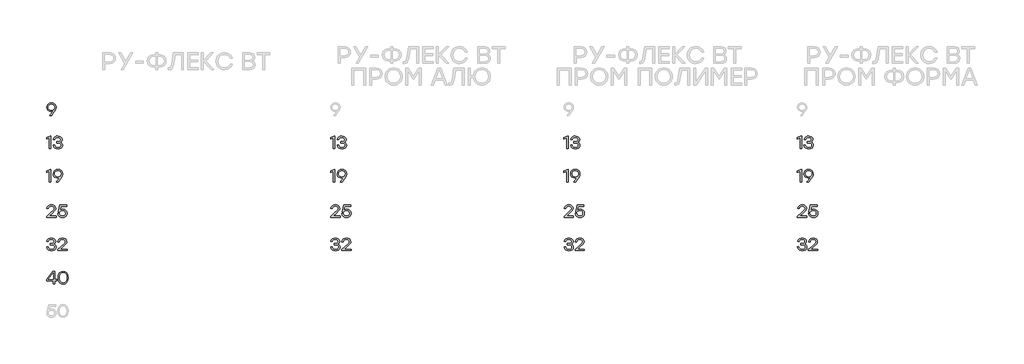
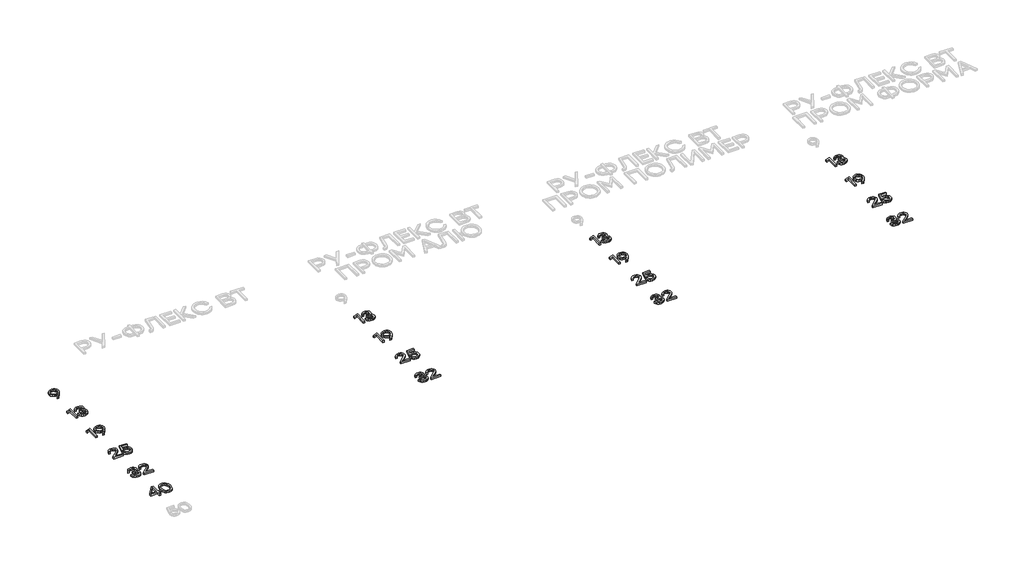
# One storey, part 13 of 41: 18 proxies.
"""IFC4 building model written with IfcOpenShell, lengths in millimetres."""

import ifcopenshell
import ifcopenshell.guid

model = None  # the IFC model being written
_history = None  # IfcOwnerHistory: only IFC2X3 demands one
_inside = {}  # id of a spatial element -> (the spatial element, [elements in it])
_under = {}  # id of a project, library or spatial element -> (it, [spatial elements below it])
_declared = {}  # id of a project -> (the project, [libraries it declares])
_typed = {}  # id of a type object -> (the type object, [elements of that type])
_made_of = {}  # id of a material, layer set ... -> (it, [elements and type objects made of it])


def new_model(schema):
    """Start an empty IFC model of exactly this schema.

    Asked for "IFC4X3", IfcOpenShell would pick the latest addendum, in which some entities
    have other attributes; the version numbers below select the first issue.
    IFC2X3 requires an IfcOwnerHistory on every rooted entity: one is made here for all.
    """
    global model, _history
    if schema == "IFC4X3":
        model = ifcopenshell.file(schema_version=(4, 3, 0, 0))
    else:
        model = ifcopenshell.file(schema=schema)
    _inside.clear()
    _under.clear()
    _declared.clear()
    _typed.clear()
    _made_of.clear()
    _history = None
    if model.schema == "IFC2X3":
        org = make("IfcOrganization", Name="unknown")
        user = make(
            "IfcPersonAndOrganization",
            ThePerson=make("IfcPerson", FamilyName="unknown"),
            TheOrganization=org,
        )
        app = make(
            "IfcApplication",
            ApplicationDeveloper=org,
            Version="unknown",
            ApplicationFullName="unknown",
            ApplicationIdentifier="unknown",
        )
        _history = make(
            "IfcOwnerHistory",
            OwningUser=user,
            OwningApplication=app,
            ChangeAction="ADDED",
            CreationDate=0,
        )
    return model


def make(cls, **values):
    """One entity of the class cls with the attributes given. An attribute that is None is left unset."""
    return model.create_entity(
        cls, **{name: value for name, value in values.items() if value is not None}
    )


def rooted(cls, **values):
    """An entity with a GlobalId (a new one), such as an element, a storey or a relation."""
    return make(cls, GlobalId=ifcopenshell.guid.new(), OwnerHistory=_history, **values)


def si_unit(unit_type, name, prefix=None):
    """IfcSIUnit, for example si_unit("LENGTHUNIT", "METRE", prefix="MILLI")."""
    return make("IfcSIUnit", UnitType=unit_type, Prefix=prefix, Name=name)


def assignment(units):
    """IfcUnitAssignment: the units of a project."""
    return None if units is None else make("IfcUnitAssignment", Units=units)


def point(xyz):
    """IfcCartesianPoint."""
    return None if xyz is None else make("IfcCartesianPoint", Coordinates=xyz)


def direction(xyz):
    """IfcDirection."""
    return None if xyz is None else make("IfcDirection", DirectionRatios=xyz)


def frame(location, z_axis=None, x_axis=None):
    """IfcAxis2Placement3D, a coordinate frame: its origin and axes. An axis left out is left unset."""
    return make(
        "IfcAxis2Placement3D",
        Location=point(location),
        Axis=direction(z_axis),
        RefDirection=direction(x_axis),
    )


def origin():
    """The frame at (0, 0, 0) with its axes left unset."""
    return frame((0.0, 0.0, 0.0))


def origin_with_axes():
    """The frame at (0, 0, 0) with the z axis (0, 0, 1) and the x axis (1, 0, 0) written out."""
    return frame((0.0, 0.0, 0.0), z_axis=(0.0, 0.0, 1.0), x_axis=(1.0, 0.0, 0.0))


def place(relative_to, where):
    """IfcLocalPlacement: puts the frame where relative to a parent placement (None: the world)."""
    return make(
        "IfcLocalPlacement", PlacementRelTo=relative_to, RelativePlacement=where
    )


def context(
    kind, dimensions, precision=None, world=None, true_north=None, identifier=None
):
    """IfcGeometricRepresentationContext, for example the 3D "Model" context."""
    return make(
        "IfcGeometricRepresentationContext",
        ContextIdentifier=identifier,
        ContextType=kind,
        CoordinateSpaceDimension=dimensions,
        Precision=precision,
        WorldCoordinateSystem=world,
        TrueNorth=true_north,
    )


def project(units=None, contexts=None):
    """IfcProject with its units and contexts."""
    return rooted(
        "IfcProject",
        Name="project",
        RepresentationContexts=contexts,
        UnitsInContext=assignment(units),
    )


def spatial(cls, under=None, at=None, **own):
    """A site, building, storey or space (cls), placed at a placement, below another one or the project."""
    s = rooted(cls, ObjectPlacement=at, **own)
    if under is not None:
        _under.setdefault(under.id(), (under, []))[1].append(s)
    return s


def polyline(points):
    """IfcPolyline through the points."""
    return make("IfcPolyline", Points=[point(p) for p in points])


def outline(outer, holes=None, kind="AREA"):
    """IfcArbitraryClosedProfileDef: a profile drawn as a closed curve; with holes, ...WithVoids."""
    if holes is None:
        return make("IfcArbitraryClosedProfileDef", ProfileType=kind, OuterCurve=outer)
    return make(
        "IfcArbitraryProfileDefWithVoids",
        ProfileType=kind,
        OuterCurve=outer,
        InnerCurves=holes,
    )


def extrude(swept, where, along, depth):
    """IfcExtrudedAreaSolid: the profile swept, set in the frame where, extruded along a direction by depth."""
    return make(
        "IfcExtrudedAreaSolid",
        SweptArea=swept,
        Position=where,
        ExtrudedDirection=direction(along),
        Depth=depth,
    )


def shape(context_of_items, identifier, shape_type, items):
    """IfcShapeRepresentation: the items that make up one representation, for example the "Body"."""
    return make(
        "IfcShapeRepresentation",
        ContextOfItems=context_of_items,
        RepresentationIdentifier=identifier,
        RepresentationType=shape_type,
        Items=items,
    )


def made_of(thing, what):
    """Note that an element or type object is made of a material, layer set ...; save() writes the relation."""
    if what is not None:
        _made_of.setdefault(what.id(), (what, []))[1].append(thing)
    return thing


def element(
    cls,
    number,
    at=None,
    inside=None,
    cuts=None,
    type_object=None,
    material=None,
    context=None,
    identifier="Body",
    shape_type=None,
    held_by="IfcProductDefinitionShape",
    body=None,
    shapes=None,
    **own,
):
    """One element of the class cls, such as IfcWall. Its Tag is "e" and its number.

    at: its placement. inside: the storey or other place that contains it. cuts: it is an
    opening in that element (IfcRelVoidsElement). A single representation is given by context,
    identifier, shape_type and body (its items); several are given by shapes. held_by: the class
    of the entity that holds the representations. save() writes the other relations.
    """
    e = rooted(cls, Tag="e%d" % number, ObjectPlacement=at, **own)
    if body is not None:
        shapes = [shape(context, identifier, shape_type, body)]
    if shapes is not None:
        e.Representation = make(held_by, Representations=shapes)
    if inside is not None:
        _inside.setdefault(inside.id(), (inside, []))[1].append(e)
    if cuts is not None:
        rooted(
            "IfcRelVoidsElement", RelatingBuildingElement=cuts, RelatedOpeningElement=e
        )
    if type_object is not None:
        _typed.setdefault(type_object.id(), (type_object, []))[1].append(e)
    return made_of(e, material)


def aggregate(whole, parts):
    """IfcRelAggregates: a whole, such as a stair, and the parts it consists of."""
    return rooted("IfcRelAggregates", RelatingObject=whole, RelatedObjects=parts)


def save(model, path):
    """Write the relations noted so far, then the file.

    IfcRelAggregates (storeys below a building ...), IfcRelContainedInSpatialStructure (elements
    in a storey), IfcRelDefinesByType, IfcRelAssociatesMaterial and IfcRelDeclares: one each for
    every whole, place, type object, material and project.
    """
    for whole, parts in _under.values():
        aggregate(whole, parts)
    for where, things in _inside.values():
        rooted(
            "IfcRelContainedInSpatialStructure",
            RelatedElements=things,
            RelatingStructure=where,
        )
    for kind, things in _typed.values():
        rooted("IfcRelDefinesByType", RelatedObjects=things, RelatingType=kind)
    for what, things in _made_of.values():
        rooted("IfcRelAssociatesMaterial", RelatedObjects=things, RelatingMaterial=what)
    for by, libraries in _declared.values():
        rooted("IfcRelDeclares", RelatingContext=by, RelatedDefinitions=libraries)
    model.write(path)


model = new_model("IFC4")

# Units and contexts
model_context = context("Model", 3, world=origin())
ifc_project = project(units=[si_unit("LENGTHUNIT", "METRE", prefix="MILLI")], contexts=[model_context])

# Site, building, storey
site = spatial("IfcSite", under=ifc_project)
building = spatial("IfcBuilding", under=site)
storey = spatial("IfcBuildingStorey", under=building, Elevation=0.0)

# Proxies
placement = place(None, origin())
element("IfcBuildingElementProxy", 1, Name="Generic Models", at=placement, inside=storey, context=model_context, shape_type="SweptSolid", body=[
    extrude(outline(polyline([(6628.8021562, -43558.446666), (6650.6723568, -43562.0925399), (6668.6798473, -43573.0301615), (6680.7369489, -43590.1803926), (6684.7559828, -43612.4640948), (6682.1287348, -43630.3051761), (6674.2469908, -43648.2471115), (6632.4732436, -43707.8316838), (6630.0930881, -43710.8169637), (6609.3171539, -43710.8169637), (6651.9582459, -43653.814255), (6637.9798747, -43659.7747294), (6623.8804786, -43661.7615541), (6604.2189817, -43658.4131997), (6587.6738749, -43648.3681364), (6576.4336911, -43632.5340506), (6572.6869632, -43611.8186289), (6576.7059971, -43590.2711613), (6588.7630986, -43573.2318696), (6606.8109308, -43562.1429669), (6628.8021562, -43558.446666)]), holes=[polyline([(6628.6004481, -43647.8033537), (6643.9857333, -43645.3425149), (6656.2546284, -43637.9599985), (6664.2876535, -43626.4525515), (6666.9653285, -43611.6169208), (6664.2321837, -43596.7762475), (6656.0327495, -43585.2536723), (6643.7638544, -43577.8560278), (6628.822327, -43575.3901463), (6613.8807996, -43577.9064548), (6601.6119045, -43585.4553804), (6593.4124703, -43597.0788096), (6590.6793256, -43611.8186289), (6593.3822141, -43626.629046), (6601.4908797, -43638.0608525), (6613.6740488, -43645.3677284), (6628.6004481, -43647.8033537)])]), origin_with_axes(), (0.0, 0.0, 1.0), 20.0),
])
element("IfcBuildingElementProxy", 2, Name="Generic Models", at=placement, inside=storey, context=model_context, shape_type="SweptSolid", body=[
    extrude(outline(polyline([(6614.6825893, -43960.8268216), (6622.8315965, -43960.8268216), (6622.8315965, -44110.8169637), (6605.0409422, -44110.8169637), (6605.0409422, -43981.6027557), (6570.5488573, -43995.5206145), (6570.5488573, -43977.97201), (6614.6825893, -43960.8268216)])), origin_with_axes(), (0.0, 0.0, 1.0), 20.0),
    extrude(outline(polyline([(6735.868815, -44031.747389), (6747.0787425, -44037.2136785), (6755.4546713, -44045.4635398), (6760.6738684, -44056.1238128), (6762.4136007, -44068.8213376), (6758.7172998, -44087.0708778), (6747.6283971, -44101.1551458), (6730.5386785, -44110.1563697), (6708.8399298, -44113.1567776), (6687.4538286, -44110.2673091), (6669.5270213, -44101.5989036), (6656.5824041, -44087.4137816), (6650.1428731, -44067.9741636), (6668.1352355, -44067.9741636), (6672.9964006, -44080.3464341), (6681.3672867, -44089.1837701), (6693.2478937, -44094.4861718), (6708.6382217, -44096.253639), (6723.5494928, -44094.3222839), (6734.8804453, -44088.5282188), (6742.0360401, -44079.4160555), (6744.4212384, -44067.5304057), (6742.4142428, -44056.7491079), (6736.393256, -44048.3681364), (6726.0254598, -44042.9825301), (6710.9780356, -44041.1873281), (6690.2021014, -44041.1873281), (6690.2021014, -44025.5347796), (6705.8546499, -44025.5347796), (6720.5742984, -44024.087524), (6731.088333, -44019.7457572), (6737.3967538, -44012.5094791), (6739.4995607, -44002.3786899), (6737.2202592, -43991.2393601), (6730.3823547, -43982.6718087), (6719.7926795, -43977.2105619), (6706.2580661, -43975.3901463), (6693.4193456, -43976.9180851), (6683.142318, -43981.5019017), (6675.4774102, -43989.6156099), (6670.4750494, -44001.733224), (6652.482687, -44001.733224), (6659.1541824, -43982.530613), (6671.0196613, -43969.056512), (6687.1714373, -43961.0991275), (6706.7018239, -43958.446666), (6726.71631, -43961.3663907), (6743.0294525, -43970.1255649), (6753.8763055, -43983.4937692), (6757.4919231, -44000.240584), (6751.9247796, -44019.5238783), (6745.1272167, -44026.7551136), (6735.868815, -44031.747389)])), origin_with_axes(), (0.0, 0.0, 1.0), 20.0),
])
element("IfcBuildingElementProxy", 3, Name="Generic Models", at=placement, inside=storey, context=model_context, shape_type="SweptSolid", body=[
    extrude(outline(polyline([(6614.6825893, -44360.8268216), (6622.8315965, -44360.8268216), (6622.8315965, -44510.8169637), (6605.0409422, -44510.8169637), (6605.0409422, -44381.6027557), (6570.5488573, -44395.5206145), (6570.5488573, -44377.97201), (6614.6825893, -44360.8268216)])), origin_with_axes(), (0.0, 0.0, 1.0), 20.0),
    extrude(outline(polyline([(6706.2580661, -44358.446666), (6728.1282667, -44362.0925399), (6746.1357572, -44373.0301615), (6758.1928588, -44390.1803926), (6762.2118926, -44412.4640948), (6759.5846447, -44430.3051761), (6751.7029007, -44448.2471115), (6709.9291535, -44507.8316838), (6707.5489979, -44510.8169637), (6686.7730638, -44510.8169637), (6729.4141558, -44453.814255), (6715.4357846, -44459.7747294), (6701.3363885, -44461.7615541), (6681.6748916, -44458.4131997), (6665.1297848, -44448.3681364), (6653.889601, -44432.5340506), (6650.1428731, -44411.8186289), (6654.1619069, -44390.2711613), (6666.2190085, -44373.2318696), (6684.2668406, -44362.1429669), (6706.2580661, -44358.446666)]), holes=[polyline([(6706.056358, -44447.8033537), (6721.4416432, -44445.3425149), (6733.7105383, -44437.9599985), (6741.7435633, -44426.4525515), (6744.4212384, -44411.6169208), (6741.6880936, -44396.7762475), (6733.4886594, -44385.2536723), (6721.2197643, -44377.8560278), (6706.2782369, -44375.3901463), (6691.3367095, -44377.9064548), (6679.0678144, -44385.4553804), (6670.8683802, -44397.0788096), (6668.1352355, -44411.8186289), (6670.838124, -44426.629046), (6678.9467895, -44438.0608525), (6691.1299587, -44445.3677284), (6706.056358, -44447.8033537)])]), origin_with_axes(), (0.0, 0.0, 1.0), 20.0),
])
element("IfcBuildingElementProxy", 4, Name="Generic Models", at=placement, inside=storey, context=model_context, shape_type="SweptSolid", body=[
    extrude(outline(polyline([(6685.1997406, -44917.6717753), (6685.1997406, -44934.8169637), (6572.6869632, -44934.8169637), (6572.6869632, -44921.947987), (6616.1752293, -44884.0268645), (6654.8628426, -44848.0421397), (6661.2166477, -44838.0777596), (6663.3345827, -44827.4679136), (6661.0300677, -44816.1924309), (6654.1165226, -44807.2164205), (6643.3453101, -44801.3467149), (6629.4677929, -44799.3901463), (6615.534806, -44801.4526116), (6604.5971844, -44807.6400075), (6596.7204831, -44817.5791741), (6591.9702574, -44830.8969513), (6573.977895, -44830.8969513), (6580.1753764, -44810.8975933), (6592.3938444, -44795.5173508), (6609.4936485, -44785.7143372), (6630.3351378, -44782.446666), (6650.8791076, -44785.6084405), (6667.0863533, -44795.0937638), (6677.6155161, -44809.3494837), (6681.125237, -44826.8224477), (6678.5786723, -44841.461413), (6670.938978, -44854.5573113), (6630.738554, -44892.8213376), (6602.0153207, -44917.6717753), (6685.1997406, -44917.6717753)])), origin_with_axes(), (0.0, 0.0, 1.0), 20.0),
    extrude(outline(polyline([(6766.2863962, -44835.8186289), (6786.1748148, -44839.1921969), (6802.593854, -44849.3129007), (6813.6071162, -44865.0108335), (6817.2782036, -44885.1160882), (6813.3701092, -44905.8163818), (6801.6458259, -44922.4925989), (6784.0820932, -44933.490733), (6762.6556505, -44937.1567776), (6741.698179, -44934.1059427), (6723.8470123, -44924.9534377), (6710.8267545, -44910.2237038), (6704.36201, -44890.441182), (6722.3543724, -44890.441182), (6727.5029716, -44903.1437495), (6736.4941101, -44912.5282188), (6748.4906992, -44918.3222839), (6762.6556505, -44920.253639), (6777.1433346, -44917.7322878), (6788.8978741, -44910.1682341), (6796.6888494, -44898.8624951), (6799.2858412, -44885.1160882), (6796.7140629, -44871.1730159), (6788.9987281, -44860.2454796), (6777.3198292, -44853.1806535), (6762.8573586, -44850.8257114), (6741.8595455, -44855.696962), (6727.27605, -44870.3107138), (6710.1308616, -44870.3107138), (6728.3652737, -44784.8268216), (6810.2184201, -44784.8268216), (6810.2184201, -44801.7299602), (6741.8393747, -44801.7299602), (6731.9960195, -44848.4455559), (6747.426689, -44838.9753606), (6766.2863962, -44835.8186289)])), origin_with_axes(), (0.0, 0.0, 1.0), 20.0),
])
element("IfcBuildingElementProxy", 5, Name="Generic Models", at=placement, inside=storey, context=model_context, shape_type="SweptSolid", body=[
    extrude(outline(polyline([(6658.4129051, -45255.747389), (6669.6228327, -45261.2136785), (6677.9987615, -45269.4635398), (6683.2179585, -45280.1238128), (6684.9576909, -45292.8213376), (6681.26139, -45311.0708778), (6670.1724873, -45325.1551458), (6653.0827686, -45334.1563697), (6631.3840199, -45337.1567776), (6609.9979187, -45334.2673091), (6592.0711115, -45325.5989036), (6579.1264942, -45311.4137816), (6572.6869632, -45291.9741636), (6590.6793256, -45291.9741636), (6595.5404908, -45304.3464341), (6603.9113769, -45313.1837701), (6615.7919839, -45318.4861718), (6631.1823118, -45320.253639), (6646.093583, -45318.3222839), (6657.4245354, -45312.5282188), (6664.5801302, -45303.4160555), (6666.9653285, -45291.5304057), (6664.9583329, -45280.7491079), (6658.9373462, -45272.3681364), (6648.5695499, -45266.9825301), (6633.5221257, -45265.1873281), (6612.7461916, -45265.1873281), (6612.7461916, -45249.5347796), (6628.39874, -45249.5347796), (6643.1183885, -45248.087524), (6653.6324232, -45243.7457572), (6659.9408439, -45236.5094791), (6662.0436509, -45226.3786899), (6659.7643494, -45215.2393601), (6652.9264448, -45206.6718087), (6642.3367696, -45201.2105619), (6628.8021562, -45199.3901463), (6615.9634357, -45200.9180851), (6605.6864081, -45205.5019017), (6598.0215004, -45213.6156099), (6593.0191395, -45225.733224), (6575.0267771, -45225.733224), (6581.6982725, -45206.530613), (6593.5637514, -45193.056512), (6609.7155274, -45185.0991275), (6629.245914, -45182.446666), (6649.2604001, -45185.3663907), (6665.5735426, -45194.1255649), (6676.4203956, -45207.4937692), (6680.0360133, -45224.240584), (6674.4688698, -45243.5238783), (6667.6713068, -45250.7551136), (6658.4129051, -45255.747389)])), origin_with_axes(), (0.0, 0.0, 1.0), 20.0),
    extrude(outline(polyline([(6816.8747874, -45317.6717753), (6816.8747874, -45334.8169637), (6704.36201, -45334.8169637), (6704.36201, -45321.947987), (6747.850276, -45284.0268645), (6786.5378893, -45248.0421397), (6792.8916944, -45238.0777596), (6795.0096295, -45227.4679136), (6792.7051145, -45216.1924309), (6785.7915694, -45207.2164205), (6775.0203569, -45201.3467149), (6761.1428397, -45199.3901463), (6747.2098528, -45201.4526116), (6736.2722312, -45207.6400075), (6728.3955299, -45217.5791741), (6723.6453042, -45230.8969513), (6705.6529418, -45230.8969513), (6711.8504231, -45210.8975933), (6724.0688912, -45195.5173508), (6741.1686953, -45185.7143372), (6762.0101845, -45182.446666), (6782.5541544, -45185.6084405), (6798.7614001, -45195.0937638), (6809.2905629, -45209.3494837), (6812.8002838, -45226.8224477), (6810.253719, -45241.461413), (6802.6140248, -45254.5573113), (6762.4136007, -45292.8213376), (6733.6903675, -45317.6717753), (6816.8747874, -45317.6717753)])), origin_with_axes(), (0.0, 0.0, 1.0), 20.0),
])
element("IfcBuildingElementProxy", 6, Name="Generic Models", at=placement, inside=storey, context=model_context, shape_type="SweptSolid", body=[
    extrude(outline(polyline([(6690.7668841, -45682.0904667), (6690.7668841, -45698.8322389), (6668.7000181, -45698.8322389), (6668.7000181, -45734.8169637), (6650.9093638, -45734.8169637), (6650.9093638, -45698.8322389), (6570.5488573, -45698.8322389), (6570.5488573, -45682.0904667), (6642.1148907, -45584.8268216), (6668.7000181, -45584.8268216), (6668.7000181, -45682.0904667), (6690.7668841, -45682.0904667)]), holes=[polyline([(6590.2355678, -45681.8887586), (6650.9093638, -45681.8887586), (6650.9093638, -45601.5282521), (6649.1746742, -45601.5282521), (6590.2355678, -45681.8887586)])]), origin_with_axes(), (0.0, 0.0, 1.0), 20.0),
    extrude(outline(polyline([(6770.3608998, -45582.446666), (6795.8668889, -45587.5095393), (6814.9383896, -45602.6981591), (6826.829082, -45627.0997963), (6830.7926462, -45659.8017218), (6826.829082, -45692.5036473), (6814.9383896, -45716.9052845), (6795.8668889, -45732.0939044), (6770.3608998, -45737.1567776), (6745.0061918, -45732.1241606), (6725.9044349, -45717.0263094), (6713.9229738, -45692.6599711), (6709.9291535, -45659.8218926), (6713.9229738, -45626.9787715), (6725.9044349, -45602.5973051), (6745.0061918, -45587.4843258), (6770.3608998, -45582.446666)]), holes=[polyline([(6739.1768278, -45705.5692894), (6752.6005017, -45716.5825516), (6770.3608998, -45720.253639), (6788.1212979, -45716.5825516), (6801.5449719, -45705.5692894), (6809.9864558, -45686.7902654), (6812.8002838, -45659.8218926), (6809.9864558, -45632.8535199), (6801.5449719, -45614.0744959), (6788.1212979, -45603.0612337), (6770.3608998, -45599.3901463), (6752.6005017, -45603.0612337), (6739.1768278, -45614.0744959), (6730.7353439, -45632.8535199), (6727.9215159, -45659.8218926), (6730.7353439, -45686.7902654), (6739.1768278, -45705.5692894)])]), origin_with_axes(), (0.0, 0.0, 1.0), 20.0),
])
element("IfcBuildingElementProxy", 7, Name="Generic Models", at=placement, inside=storey, context=model_context, shape_type="SweptSolid", body=[
    extrude(outline(polyline([(10021.9281668, -43960.8268216), (10030.077174, -43960.8268216), (10030.077174, -44110.8169637), (10012.2865197, -44110.8169637), (10012.2865197, -43981.6027557), (9977.7944348, -43995.5206145), (9977.7944348, -43977.97201), (10021.9281668, -43960.8268216)])), origin_with_axes(), (0.0, 0.0, 1.0), 20.0),
    extrude(outline(polyline([(10143.1143924, -44031.747389), (10154.32432, -44037.2136785), (10162.7002488, -44045.4635398), (10167.9194458, -44056.1238128), (10169.6591782, -44068.8213376), (10165.9628773, -44087.0708778), (10154.8739746, -44101.1551458), (10137.7842559, -44110.1563697), (10116.0855072, -44113.1567776), (10094.699406, -44110.2673091), (10076.7725988, -44101.5989036), (10063.8279816, -44087.4137816), (10057.3884505, -44067.9741636), (10075.3808129, -44067.9741636), (10080.2419781, -44080.3464341), (10088.6128642, -44089.1837701), (10100.4934712, -44094.4861718), (10115.8837991, -44096.253639), (10130.7950703, -44094.3222839), (10142.1260227, -44088.5282188), (10149.2816175, -44079.4160555), (10151.6668158, -44067.5304057), (10149.6598202, -44056.7491079), (10143.6388335, -44048.3681364), (10133.2710372, -44042.9825301), (10118.2236131, -44041.1873281), (10097.4476789, -44041.1873281), (10097.4476789, -44025.5347796), (10113.1002273, -44025.5347796), (10127.8198758, -44024.087524), (10138.3339105, -44019.7457572), (10144.6423313, -44012.5094791), (10146.7451382, -44002.3786899), (10144.4658367, -43991.2393601), (10137.6279321, -43982.6718087), (10127.038257, -43977.2105619), (10113.5036435, -43975.3901463), (10100.6649231, -43976.9180851), (10090.3878954, -43981.5019017), (10082.7229877, -43989.6156099), (10077.7206268, -44001.733224), (10059.7282645, -44001.733224), (10066.3997598, -43982.530613), (10078.2652387, -43969.056512), (10094.4170147, -43961.0991275), (10113.9474014, -43958.446666), (10133.9618874, -43961.3663907), (10150.2750299, -43970.1255649), (10161.1218829, -43983.4937692), (10164.7375006, -44000.240584), (10159.1703571, -44019.5238783), (10152.3727941, -44026.7551136), (10143.1143924, -44031.747389)])), origin_with_axes(), (0.0, 0.0, 1.0), 20.0),
])
element("IfcBuildingElementProxy", 8, Name="Generic Models", at=placement, inside=storey, context=model_context, shape_type="SweptSolid", body=[
    extrude(outline(polyline([(10021.9281668, -44360.8268216), (10030.077174, -44360.8268216), (10030.077174, -44510.8169637), (10012.2865197, -44510.8169637), (10012.2865197, -44381.6027557), (9977.7944348, -44395.5206145), (9977.7944348, -44377.97201), (10021.9281668, -44360.8268216)])), origin_with_axes(), (0.0, 0.0, 1.0), 20.0),
    extrude(outline(polyline([(10113.5036435, -44358.446666), (10135.3738441, -44362.0925399), (10153.3813346, -44373.0301615), (10165.4384362, -44390.1803926), (10169.4574701, -44412.4640948), (10166.8302221, -44430.3051761), (10158.9484782, -44448.2471115), (10117.1747309, -44507.8316838), (10114.7945754, -44510.8169637), (10094.0186412, -44510.8169637), (10136.6597333, -44453.814255), (10122.681362, -44459.7747294), (10108.5819659, -44461.7615541), (10088.920469, -44458.4131997), (10072.3753622, -44448.3681364), (10061.1351784, -44432.5340506), (10057.3884505, -44411.8186289), (10061.4074844, -44390.2711613), (10073.464586, -44373.2318696), (10091.5124181, -44362.1429669), (10113.5036435, -44358.446666)]), holes=[polyline([(10113.3019354, -44447.8033537), (10128.6872207, -44445.3425149), (10140.9561158, -44437.9599985), (10148.9891408, -44426.4525515), (10151.6668158, -44411.6169208), (10148.9336711, -44396.7762475), (10140.7342369, -44385.2536723), (10128.4653418, -44377.8560278), (10113.5238144, -44375.3901463), (10098.5822869, -44377.9064548), (10086.3133919, -44385.4553804), (10078.1139576, -44397.0788096), (10075.3808129, -44411.8186289), (10078.0837014, -44426.629046), (10086.192367, -44438.0608525), (10098.3755361, -44445.3677284), (10113.3019354, -44447.8033537)])]), origin_with_axes(), (0.0, 0.0, 1.0), 20.0),
])
element("IfcBuildingElementProxy", 9, Name="Generic Models", at=placement, inside=storey, context=model_context, shape_type="SweptSolid", body=[
    extrude(outline(polyline([(10092.445318, -44917.6717753), (10092.445318, -44934.8169637), (9979.9325406, -44934.8169637), (9979.9325406, -44921.947987), (10023.4208067, -44884.0268645), (10062.10842, -44848.0421397), (10068.4622251, -44838.0777596), (10070.5801602, -44827.4679136), (10068.2756451, -44816.1924309), (10061.3621001, -44807.2164205), (10050.5908876, -44801.3467149), (10036.7133704, -44799.3901463), (10022.7803835, -44801.4526116), (10011.8427618, -44807.6400075), (10003.9660606, -44817.5791741), (9999.2158349, -44830.8969513), (9981.2234725, -44830.8969513), (9987.4209538, -44810.8975933), (9999.6394219, -44795.5173508), (10016.7392259, -44785.7143372), (10037.5807152, -44782.446666), (10058.1246851, -44785.6084405), (10074.3319308, -44795.0937638), (10084.8610935, -44809.3494837), (10088.3708145, -44826.8224477), (10085.8242497, -44841.461413), (10078.1845555, -44854.5573113), (10037.9841314, -44892.8213376), (10009.2608982, -44917.6717753), (10092.445318, -44917.6717753)])), origin_with_axes(), (0.0, 0.0, 1.0), 20.0),
    extrude(outline(polyline([(10173.5319737, -44835.8186289), (10193.4203922, -44839.1921969), (10209.8394314, -44849.3129007), (10220.8526936, -44865.0108335), (10224.523781, -44885.1160882), (10220.6156866, -44905.8163818), (10208.8914034, -44922.4925989), (10191.3276707, -44933.490733), (10169.9012279, -44937.1567776), (10148.9437565, -44934.1059427), (10131.0925897, -44924.9534377), (10118.072332, -44910.2237038), (10111.6075874, -44890.441182), (10129.5999498, -44890.441182), (10134.748549, -44903.1437495), (10143.7396875, -44912.5282188), (10155.7362767, -44918.3222839), (10169.9012279, -44920.253639), (10184.3889121, -44917.7322878), (10196.1434515, -44910.1682341), (10203.9344269, -44898.8624951), (10206.5314186, -44885.1160882), (10203.9596404, -44871.1730159), (10196.2443056, -44860.2454796), (10184.5654067, -44853.1806535), (10170.102936, -44850.8257114), (10149.1051229, -44855.696962), (10134.5216274, -44870.3107138), (10117.376439, -44870.3107138), (10135.6108512, -44784.8268216), (10217.4639976, -44784.8268216), (10217.4639976, -44801.7299602), (10149.0849521, -44801.7299602), (10139.2415969, -44848.4455559), (10154.6722665, -44838.9753606), (10173.5319737, -44835.8186289)])), origin_with_axes(), (0.0, 0.0, 1.0), 20.0),
])
element("IfcBuildingElementProxy", 10, Name="Generic Models", at=placement, inside=storey, context=model_context, shape_type="SweptSolid", body=[
    extrude(outline(polyline([(10065.6584826, -45255.747389), (10076.8684101, -45261.2136785), (10085.2443389, -45269.4635398), (10090.463536, -45280.1238128), (10092.2032683, -45292.8213376), (10088.5069674, -45311.0708778), (10077.4180647, -45325.1551458), (10060.328346, -45334.1563697), (10038.6295973, -45337.1567776), (10017.2434962, -45334.2673091), (9999.3166889, -45325.5989036), (9986.3720717, -45311.4137816), (9979.9325406, -45291.9741636), (9997.924903, -45291.9741636), (10002.7860682, -45304.3464341), (10011.1569543, -45313.1837701), (10023.0375613, -45318.4861718), (10038.4278892, -45320.253639), (10053.3391604, -45318.3222839), (10064.6701129, -45312.5282188), (10071.8257077, -45303.4160555), (10074.2109059, -45291.5304057), (10072.2039104, -45280.7491079), (10066.1829236, -45272.3681364), (10055.8151273, -45266.9825301), (10040.7677032, -45265.1873281), (10019.991769, -45265.1873281), (10019.991769, -45249.5347796), (10035.6443175, -45249.5347796), (10050.363966, -45248.087524), (10060.8780006, -45243.7457572), (10067.1864214, -45236.5094791), (10069.2892283, -45226.3786899), (10067.0099268, -45215.2393601), (10060.1720223, -45206.6718087), (10049.5823471, -45201.2105619), (10036.0477337, -45199.3901463), (10023.2090132, -45200.9180851), (10012.9319856, -45205.5019017), (10005.2670778, -45213.6156099), (10000.264717, -45225.733224), (9982.2723546, -45225.733224), (9988.9438499, -45206.530613), (10000.8093288, -45193.056512), (10016.9611048, -45185.0991275), (10036.4914915, -45182.446666), (10056.5059776, -45185.3663907), (10072.8191201, -45194.1255649), (10083.6659731, -45207.4937692), (10087.2815907, -45224.240584), (10081.7144472, -45243.5238783), (10074.9168843, -45250.7551136), (10065.6584826, -45255.747389)])), origin_with_axes(), (0.0, 0.0, 1.0), 20.0),
    extrude(outline(polyline([(10224.1203648, -45317.6717753), (10224.1203648, -45334.8169637), (10111.6075874, -45334.8169637), (10111.6075874, -45321.947987), (10155.0958535, -45284.0268645), (10193.7834668, -45248.0421397), (10200.1372719, -45238.0777596), (10202.2552069, -45227.4679136), (10199.9506919, -45216.1924309), (10193.0371468, -45207.2164205), (10182.2659344, -45201.3467149), (10168.3884172, -45199.3901463), (10154.4554303, -45201.4526116), (10143.5178086, -45207.6400075), (10135.6411074, -45217.5791741), (10130.8908816, -45230.8969513), (10112.8985192, -45230.8969513), (10119.0960006, -45210.8975933), (10131.3144687, -45195.5173508), (10148.4142727, -45185.7143372), (10169.255762, -45182.446666), (10189.7997318, -45185.6084405), (10206.0069776, -45195.0937638), (10216.5361403, -45209.3494837), (10220.0458612, -45226.8224477), (10217.4992965, -45241.461413), (10209.8596023, -45254.5573113), (10169.6591782, -45292.8213376), (10140.935945, -45317.6717753), (10224.1203648, -45317.6717753)])), origin_with_axes(), (0.0, 0.0, 1.0), 20.0),
])
element("IfcBuildingElementProxy", 11, Name="Generic Models", at=placement, inside=storey, context=model_context, shape_type="SweptSolid", body=[
    extrude(outline(polyline([(12821.9281668, -43960.8268216), (12830.077174, -43960.8268216), (12830.077174, -44110.8169637), (12812.2865197, -44110.8169637), (12812.2865197, -43981.6027557), (12777.7944348, -43995.5206145), (12777.7944348, -43977.97201), (12821.9281668, -43960.8268216)])), origin_with_axes(), (0.0, 0.0, 1.0), 20.0),
    extrude(outline(polyline([(12943.1143924, -44031.747389), (12954.32432, -44037.2136785), (12962.7002488, -44045.4635398), (12967.9194458, -44056.1238128), (12969.6591782, -44068.8213376), (12965.9628773, -44087.0708778), (12954.8739746, -44101.1551458), (12937.7842559, -44110.1563697), (12916.0855072, -44113.1567776), (12894.6994061, -44110.2673091), (12876.7725988, -44101.5989036), (12863.8279816, -44087.4137816), (12857.3884505, -44067.9741636), (12875.3808129, -44067.9741636), (12880.2419781, -44080.3464341), (12888.6128642, -44089.1837701), (12900.4934712, -44094.4861718), (12915.8837991, -44096.253639), (12930.7950703, -44094.3222839), (12942.1260227, -44088.5282188), (12949.2816175, -44079.4160555), (12951.6668158, -44067.5304057), (12949.6598202, -44056.7491079), (12943.6388335, -44048.3681364), (12933.2710372, -44042.9825301), (12918.2236131, -44041.1873281), (12897.4476789, -44041.1873281), (12897.4476789, -44025.5347796), (12913.1002273, -44025.5347796), (12927.8198758, -44024.087524), (12938.3339105, -44019.7457572), (12944.6423313, -44012.5094791), (12946.7451382, -44002.3786899), (12944.4658367, -43991.2393601), (12937.6279321, -43982.6718087), (12927.038257, -43977.2105619), (12913.5036435, -43975.3901463), (12900.6649231, -43976.9180851), (12890.3878954, -43981.5019017), (12882.7229877, -43989.6156099), (12877.7206268, -44001.733224), (12859.7282645, -44001.733224), (12866.3997598, -43982.530613), (12878.2652387, -43969.056512), (12894.4170147, -43961.0991275), (12913.9474014, -43958.446666), (12933.9618874, -43961.3663907), (12950.2750299, -43970.1255649), (12961.1218829, -43983.4937692), (12964.7375006, -44000.240584), (12959.1703571, -44019.5238783), (12952.3727941, -44026.7551136), (12943.1143924, -44031.747389)])), origin_with_axes(), (0.0, 0.0, 1.0), 20.0),
])
element("IfcBuildingElementProxy", 12, Name="Generic Models", at=placement, inside=storey, context=model_context, shape_type="SweptSolid", body=[
    extrude(outline(polyline([(12821.9281668, -44360.8268216), (12830.077174, -44360.8268216), (12830.077174, -44510.8169637), (12812.2865197, -44510.8169637), (12812.2865197, -44381.6027557), (12777.7944348, -44395.5206145), (12777.7944348, -44377.97201), (12821.9281668, -44360.8268216)])), origin_with_axes(), (0.0, 0.0, 1.0), 20.0),
    extrude(outline(polyline([(12913.5036435, -44358.446666), (12935.3738441, -44362.0925399), (12953.3813346, -44373.0301615), (12965.4384362, -44390.1803926), (12969.4574701, -44412.4640948), (12966.8302221, -44430.3051761), (12958.9484782, -44448.2471115), (12917.1747309, -44507.8316838), (12914.7945754, -44510.8169637), (12894.0186412, -44510.8169637), (12936.6597333, -44453.814255), (12922.681362, -44459.7747294), (12908.5819659, -44461.7615541), (12888.920469, -44458.4131997), (12872.3753622, -44448.3681364), (12861.1351784, -44432.5340506), (12857.3884505, -44411.8186289), (12861.4074844, -44390.2711613), (12873.464586, -44373.2318696), (12891.5124181, -44362.1429669), (12913.5036435, -44358.446666)]), holes=[polyline([(12913.3019354, -44447.8033537), (12928.6872207, -44445.3425149), (12940.9561158, -44437.9599985), (12948.9891408, -44426.4525515), (12951.6668158, -44411.6169208), (12948.9336711, -44396.7762475), (12940.7342369, -44385.2536723), (12928.4653418, -44377.8560278), (12913.5238144, -44375.3901463), (12898.5822869, -44377.9064548), (12886.3133919, -44385.4553804), (12878.1139576, -44397.0788096), (12875.3808129, -44411.8186289), (12878.0837014, -44426.629046), (12886.192367, -44438.0608525), (12898.3755361, -44445.3677284), (12913.3019354, -44447.8033537)])]), origin_with_axes(), (0.0, 0.0, 1.0), 20.0),
])
element("IfcBuildingElementProxy", 13, Name="Generic Models", at=placement, inside=storey, context=model_context, shape_type="SweptSolid", body=[
    extrude(outline(polyline([(12892.445318, -44917.6717753), (12892.445318, -44934.8169637), (12779.9325406, -44934.8169637), (12779.9325406, -44921.947987), (12823.4208067, -44884.0268645), (12862.10842, -44848.0421397), (12868.4622251, -44838.0777596), (12870.5801602, -44827.4679136), (12868.2756451, -44816.1924309), (12861.3621001, -44807.2164205), (12850.5908876, -44801.3467149), (12836.7133704, -44799.3901463), (12822.7803835, -44801.4526116), (12811.8427618, -44807.6400075), (12803.9660606, -44817.5791741), (12799.2158349, -44830.8969513), (12781.2234725, -44830.8969513), (12787.4209538, -44810.8975933), (12799.6394219, -44795.5173508), (12816.7392259, -44785.7143372), (12837.5807152, -44782.446666), (12858.1246851, -44785.6084405), (12874.3319308, -44795.0937638), (12884.8610935, -44809.3494837), (12888.3708145, -44826.8224477), (12885.8242497, -44841.461413), (12878.1845555, -44854.5573113), (12837.9841314, -44892.8213376), (12809.2608982, -44917.6717753), (12892.445318, -44917.6717753)])), origin_with_axes(), (0.0, 0.0, 1.0), 20.0),
    extrude(outline(polyline([(12973.5319737, -44835.8186289), (12993.4203922, -44839.1921969), (13009.8394314, -44849.3129007), (13020.8526936, -44865.0108335), (13024.523781, -44885.1160882), (13020.6156866, -44905.8163818), (13008.8914034, -44922.4925989), (12991.3276707, -44933.490733), (12969.9012279, -44937.1567776), (12948.9437565, -44934.1059427), (12931.0925897, -44924.9534377), (12918.072332, -44910.2237038), (12911.6075874, -44890.441182), (12929.5999498, -44890.441182), (12934.748549, -44903.1437495), (12943.7396875, -44912.5282188), (12955.7362767, -44918.3222839), (12969.9012279, -44920.253639), (12984.3889121, -44917.7322878), (12996.1434515, -44910.1682341), (13003.9344269, -44898.8624951), (13006.5314186, -44885.1160882), (13003.9596404, -44871.1730159), (12996.2443056, -44860.2454796), (12984.5654067, -44853.1806535), (12970.102936, -44850.8257114), (12949.1051229, -44855.696962), (12934.5216274, -44870.3107138), (12917.376439, -44870.3107138), (12935.6108512, -44784.8268216), (13017.4639976, -44784.8268216), (13017.4639976, -44801.7299602), (12949.0849521, -44801.7299602), (12939.2415969, -44848.4455559), (12954.6722665, -44838.9753606), (12973.5319737, -44835.8186289)])), origin_with_axes(), (0.0, 0.0, 1.0), 20.0),
])
element("IfcBuildingElementProxy", 14, Name="Generic Models", at=placement, inside=storey, context=model_context, shape_type="SweptSolid", body=[
    extrude(outline(polyline([(12865.6584826, -45255.747389), (12876.8684101, -45261.2136785), (12885.2443389, -45269.4635398), (12890.463536, -45280.1238128), (12892.2032683, -45292.8213376), (12888.5069674, -45311.0708778), (12877.4180647, -45325.1551458), (12860.328346, -45334.1563697), (12838.6295973, -45337.1567776), (12817.2434962, -45334.2673091), (12799.3166889, -45325.5989036), (12786.3720717, -45311.4137816), (12779.9325406, -45291.9741636), (12797.924903, -45291.9741636), (12802.7860682, -45304.3464341), (12811.1569543, -45313.1837701), (12823.0375613, -45318.4861718), (12838.4278892, -45320.253639), (12853.3391604, -45318.3222839), (12864.6701129, -45312.5282188), (12871.8257077, -45303.4160555), (12874.2109059, -45291.5304057), (12872.2039104, -45280.7491079), (12866.1829236, -45272.3681364), (12855.8151273, -45266.9825301), (12840.7677032, -45265.1873281), (12819.991769, -45265.1873281), (12819.991769, -45249.5347796), (12835.6443175, -45249.5347796), (12850.363966, -45248.087524), (12860.8780006, -45243.7457572), (12867.1864214, -45236.5094791), (12869.2892283, -45226.3786899), (12867.0099268, -45215.2393601), (12860.1720223, -45206.6718087), (12849.5823471, -45201.2105619), (12836.0477337, -45199.3901463), (12823.2090132, -45200.9180851), (12812.9319856, -45205.5019017), (12805.2670778, -45213.6156099), (12800.264717, -45225.733224), (12782.2723546, -45225.733224), (12788.9438499, -45206.530613), (12800.8093288, -45193.056512), (12816.9611048, -45185.0991275), (12836.4914915, -45182.446666), (12856.5059776, -45185.3663907), (12872.8191201, -45194.1255649), (12883.6659731, -45207.4937692), (12887.2815907, -45224.240584), (12881.7144472, -45243.5238783), (12874.9168843, -45250.7551136), (12865.6584826, -45255.747389)])), origin_with_axes(), (0.0, 0.0, 1.0), 20.0),
    extrude(outline(polyline([(13024.1203648, -45317.6717753), (13024.1203648, -45334.8169637), (12911.6075874, -45334.8169637), (12911.6075874, -45321.947987), (12955.0958535, -45284.0268645), (12993.7834668, -45248.0421397), (13000.1372719, -45238.0777596), (13002.2552069, -45227.4679136), (12999.9506919, -45216.1924309), (12993.0371468, -45207.2164205), (12982.2659344, -45201.3467149), (12968.3884172, -45199.3901463), (12954.4554303, -45201.4526116), (12943.5178086, -45207.6400075), (12935.6411074, -45217.5791741), (12930.8908816, -45230.8969513), (12912.8985192, -45230.8969513), (12919.0960006, -45210.8975933), (12931.3144687, -45195.5173508), (12948.4142727, -45185.7143372), (12969.255762, -45182.446666), (12989.7997318, -45185.6084405), (13006.0069776, -45195.0937638), (13016.5361403, -45209.3494837), (13020.0458612, -45226.8224477), (13017.4992965, -45241.461413), (13009.8596023, -45254.5573113), (12969.6591782, -45292.8213376), (12940.935945, -45317.6717753), (13024.1203648, -45317.6717753)])), origin_with_axes(), (0.0, 0.0, 1.0), 20.0),
])
element("IfcBuildingElementProxy", 15, Name="Generic Models", at=placement, inside=storey, context=model_context, shape_type="SweptSolid", body=[
    extrude(outline(polyline([(15621.9281668, -43960.8268216), (15630.077174, -43960.8268216), (15630.077174, -44110.8169637), (15612.2865197, -44110.8169637), (15612.2865197, -43981.6027557), (15577.7944348, -43995.5206145), (15577.7944348, -43977.97201), (15621.9281668, -43960.8268216)])), origin_with_axes(), (0.0, 0.0, 1.0), 20.0),
    extrude(outline(polyline([(15743.1143924, -44031.747389), (15754.32432, -44037.2136785), (15762.7002488, -44045.4635398), (15767.9194458, -44056.1238128), (15769.6591782, -44068.8213376), (15765.9628773, -44087.0708778), (15754.8739746, -44101.1551458), (15737.7842559, -44110.1563697), (15716.0855072, -44113.1567776), (15694.6994061, -44110.2673091), (15676.7725988, -44101.5989036), (15663.8279816, -44087.4137816), (15657.3884505, -44067.9741636), (15675.3808129, -44067.9741636), (15680.2419781, -44080.3464341), (15688.6128642, -44089.1837701), (15700.4934712, -44094.4861718), (15715.8837991, -44096.253639), (15730.7950703, -44094.3222839), (15742.1260227, -44088.5282188), (15749.2816175, -44079.4160555), (15751.6668158, -44067.5304057), (15749.6598202, -44056.7491079), (15743.6388335, -44048.3681364), (15733.2710372, -44042.9825301), (15718.2236131, -44041.1873281), (15697.4476789, -44041.1873281), (15697.4476789, -44025.5347796), (15713.1002273, -44025.5347796), (15727.8198758, -44024.087524), (15738.3339105, -44019.7457572), (15744.6423313, -44012.5094791), (15746.7451382, -44002.3786899), (15744.4658367, -43991.2393601), (15737.6279321, -43982.6718087), (15727.038257, -43977.2105619), (15713.5036435, -43975.3901463), (15700.6649231, -43976.9180851), (15690.3878954, -43981.5019017), (15682.7229877, -43989.6156099), (15677.7206268, -44001.733224), (15659.7282645, -44001.733224), (15666.3997598, -43982.530613), (15678.2652387, -43969.056512), (15694.4170147, -43961.0991275), (15713.9474014, -43958.446666), (15733.9618874, -43961.3663907), (15750.2750299, -43970.1255649), (15761.1218829, -43983.4937692), (15764.7375006, -44000.240584), (15759.1703571, -44019.5238783), (15752.3727941, -44026.7551136), (15743.1143924, -44031.747389)])), origin_with_axes(), (0.0, 0.0, 1.0), 20.0),
])
element("IfcBuildingElementProxy", 16, Name="Generic Models", at=placement, inside=storey, context=model_context, shape_type="SweptSolid", body=[
    extrude(outline(polyline([(15621.9281668, -44360.8268216), (15630.077174, -44360.8268216), (15630.077174, -44510.8169637), (15612.2865197, -44510.8169637), (15612.2865197, -44381.6027557), (15577.7944348, -44395.5206145), (15577.7944348, -44377.97201), (15621.9281668, -44360.8268216)])), origin_with_axes(), (0.0, 0.0, 1.0), 20.0),
    extrude(outline(polyline([(15713.5036435, -44358.446666), (15735.3738441, -44362.0925399), (15753.3813346, -44373.0301615), (15765.4384362, -44390.1803926), (15769.4574701, -44412.4640948), (15766.8302221, -44430.3051761), (15758.9484782, -44448.2471115), (15717.1747309, -44507.8316838), (15714.7945754, -44510.8169637), (15694.0186412, -44510.8169637), (15736.6597333, -44453.814255), (15722.681362, -44459.7747294), (15708.5819659, -44461.7615541), (15688.920469, -44458.4131997), (15672.3753622, -44448.3681364), (15661.1351784, -44432.5340506), (15657.3884505, -44411.8186289), (15661.4074844, -44390.2711613), (15673.464586, -44373.2318696), (15691.5124181, -44362.1429669), (15713.5036435, -44358.446666)]), holes=[polyline([(15713.3019354, -44447.8033537), (15728.6872207, -44445.3425149), (15740.9561158, -44437.9599985), (15748.9891408, -44426.4525515), (15751.6668158, -44411.6169208), (15748.9336711, -44396.7762475), (15740.7342369, -44385.2536723), (15728.4653418, -44377.8560278), (15713.5238144, -44375.3901463), (15698.5822869, -44377.9064548), (15686.3133919, -44385.4553804), (15678.1139576, -44397.0788096), (15675.3808129, -44411.8186289), (15678.0837014, -44426.629046), (15686.192367, -44438.0608525), (15698.3755361, -44445.3677284), (15713.3019354, -44447.8033537)])]), origin_with_axes(), (0.0, 0.0, 1.0), 20.0),
])
element("IfcBuildingElementProxy", 17, Name="Generic Models", at=placement, inside=storey, context=model_context, shape_type="SweptSolid", body=[
    extrude(outline(polyline([(15692.445318, -44917.6717753), (15692.445318, -44934.8169637), (15579.9325406, -44934.8169637), (15579.9325406, -44921.947987), (15623.4208067, -44884.0268645), (15662.10842, -44848.0421397), (15668.4622251, -44838.0777596), (15670.5801602, -44827.4679136), (15668.2756451, -44816.1924309), (15661.3621001, -44807.2164205), (15650.5908876, -44801.3467149), (15636.7133704, -44799.3901463), (15622.7803835, -44801.4526116), (15611.8427618, -44807.6400075), (15603.9660606, -44817.5791741), (15599.2158349, -44830.8969513), (15581.2234725, -44830.8969513), (15587.4209538, -44810.8975933), (15599.6394219, -44795.5173508), (15616.7392259, -44785.7143372), (15637.5807152, -44782.446666), (15658.1246851, -44785.6084405), (15674.3319308, -44795.0937638), (15684.8610935, -44809.3494837), (15688.3708145, -44826.8224477), (15685.8242497, -44841.461413), (15678.1845555, -44854.5573113), (15637.9841314, -44892.8213376), (15609.2608982, -44917.6717753), (15692.445318, -44917.6717753)])), origin_with_axes(), (0.0, 0.0, 1.0), 20.0),
    extrude(outline(polyline([(15773.5319737, -44835.8186289), (15793.4203922, -44839.1921969), (15809.8394314, -44849.3129007), (15820.8526936, -44865.0108335), (15824.523781, -44885.1160882), (15820.6156866, -44905.8163818), (15808.8914034, -44922.4925989), (15791.3276707, -44933.490733), (15769.9012279, -44937.1567776), (15748.9437565, -44934.1059427), (15731.0925897, -44924.9534377), (15718.072332, -44910.2237038), (15711.6075874, -44890.441182), (15729.5999498, -44890.441182), (15734.748549, -44903.1437495), (15743.7396875, -44912.5282188), (15755.7362767, -44918.3222839), (15769.9012279, -44920.253639), (15784.3889121, -44917.7322878), (15796.1434515, -44910.1682341), (15803.9344269, -44898.8624951), (15806.5314186, -44885.1160882), (15803.9596404, -44871.1730159), (15796.2443056, -44860.2454796), (15784.5654067, -44853.1806535), (15770.102936, -44850.8257114), (15749.1051229, -44855.696962), (15734.5216274, -44870.3107138), (15717.376439, -44870.3107138), (15735.6108512, -44784.8268216), (15817.4639976, -44784.8268216), (15817.4639976, -44801.7299602), (15749.0849521, -44801.7299602), (15739.2415969, -44848.4455559), (15754.6722665, -44838.9753606), (15773.5319737, -44835.8186289)])), origin_with_axes(), (0.0, 0.0, 1.0), 20.0),
])
element("IfcBuildingElementProxy", 18, Name="Generic Models", at=placement, inside=storey, context=model_context, shape_type="SweptSolid", body=[
    extrude(outline(polyline([(15665.6584826, -45255.747389), (15676.8684101, -45261.2136785), (15685.2443389, -45269.4635398), (15690.463536, -45280.1238128), (15692.2032683, -45292.8213376), (15688.5069674, -45311.0708778), (15677.4180647, -45325.1551458), (15660.328346, -45334.1563697), (15638.6295973, -45337.1567776), (15617.2434962, -45334.2673091), (15599.3166889, -45325.5989036), (15586.3720717, -45311.4137816), (15579.9325406, -45291.9741636), (15597.924903, -45291.9741636), (15602.7860682, -45304.3464341), (15611.1569543, -45313.1837701), (15623.0375613, -45318.4861718), (15638.4278892, -45320.253639), (15653.3391604, -45318.3222839), (15664.6701129, -45312.5282188), (15671.8257077, -45303.4160555), (15674.2109059, -45291.5304057), (15672.2039104, -45280.7491079), (15666.1829236, -45272.3681364), (15655.8151273, -45266.9825301), (15640.7677032, -45265.1873281), (15619.991769, -45265.1873281), (15619.991769, -45249.5347796), (15635.6443175, -45249.5347796), (15650.363966, -45248.087524), (15660.8780006, -45243.7457572), (15667.1864214, -45236.5094791), (15669.2892283, -45226.3786899), (15667.0099268, -45215.2393601), (15660.1720223, -45206.6718087), (15649.5823471, -45201.2105619), (15636.0477337, -45199.3901463), (15623.2090132, -45200.9180851), (15612.9319856, -45205.5019017), (15605.2670778, -45213.6156099), (15600.264717, -45225.733224), (15582.2723546, -45225.733224), (15588.9438499, -45206.530613), (15600.8093288, -45193.056512), (15616.9611048, -45185.0991275), (15636.4914915, -45182.446666), (15656.5059776, -45185.3663907), (15672.8191201, -45194.1255649), (15683.6659731, -45207.4937692), (15687.2815907, -45224.240584), (15681.7144472, -45243.5238783), (15674.9168843, -45250.7551136), (15665.6584826, -45255.747389)])), origin_with_axes(), (0.0, 0.0, 1.0), 20.0),
    extrude(outline(polyline([(15824.1203648, -45317.6717753), (15824.1203648, -45334.8169637), (15711.6075874, -45334.8169637), (15711.6075874, -45321.947987), (15755.0958535, -45284.0268645), (15793.7834668, -45248.0421397), (15800.1372719, -45238.0777596), (15802.2552069, -45227.4679136), (15799.9506919, -45216.1924309), (15793.0371468, -45207.2164205), (15782.2659344, -45201.3467149), (15768.3884172, -45199.3901463), (15754.4554303, -45201.4526116), (15743.5178086, -45207.6400075), (15735.6411074, -45217.5791741), (15730.8908816, -45230.8969513), (15712.8985192, -45230.8969513), (15719.0960006, -45210.8975933), (15731.3144687, -45195.5173508), (15748.4142727, -45185.7143372), (15769.255762, -45182.446666), (15789.7997318, -45185.6084405), (15806.0069776, -45195.0937638), (15816.5361403, -45209.3494837), (15820.0458612, -45226.8224477), (15817.4992965, -45241.461413), (15809.8596023, -45254.5573113), (15769.6591782, -45292.8213376), (15740.935945, -45317.6717753), (15824.1203648, -45317.6717753)])), origin_with_axes(), (0.0, 0.0, 1.0), 20.0),
])

save(model, "model.ifc")
